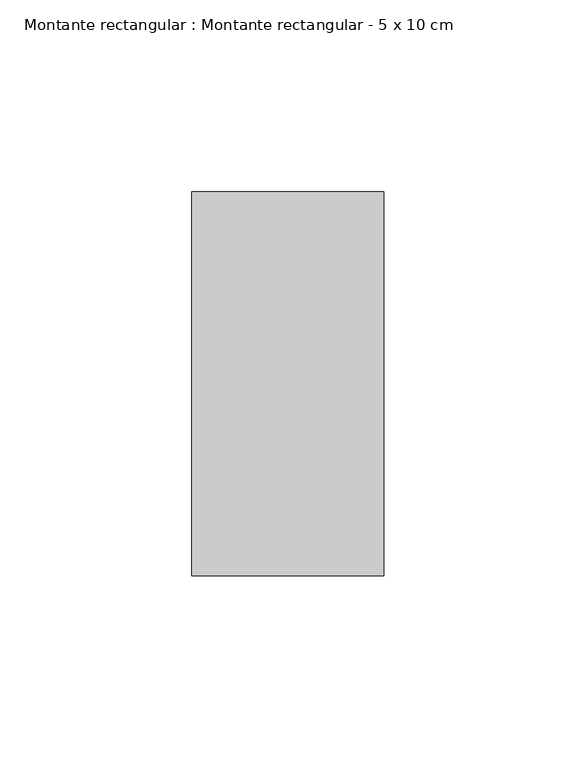
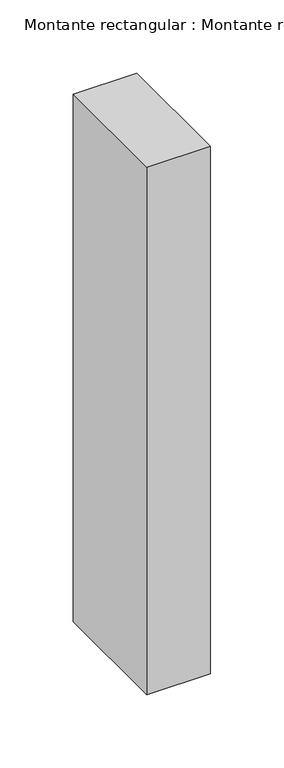
"""IFC4 building model written with IfcOpenShell, lengths in millimetres: member geometry, Montante rectangular : Montante rectangular - 5 x 10 cm."""

from ifc_helpers import new_model, si_unit, frame, origin, place, context, project, spatial, polyline, outline, extrude, source, transform, mapped, element, save


def montante_rectangular_montante_rectangular_5_x_10_cm_f3e9a56c(model_context):
    return source(origin(), model_context, "Body", "SweptSolid", [
        extrude(outline(polyline([(0.0, 50.0), (0.0, -50.0), (-50.0, -50.0), (-50.0, 50.0), (0.0, 50.0)])), frame((0.0, 0.0, -439.0), z_axis=(0.0, 0.0, 1.0), x_axis=(1.0, 0.0, 0.0)), (0.0, 0.0, 1.0), 439.0),
    ])


if __name__ == "__main__":
    model = new_model("IFC4")
    model_context = context("Model", 3, world=origin())
    ifc_project = project(units=[si_unit("LENGTHUNIT", "METRE", prefix="MILLI")], contexts=[model_context])
    site = spatial("IfcSite", under=ifc_project)
    building = spatial("IfcBuilding", under=site)
    placement = place(None, origin())
    montante_rectangular_montante_rectangular_5_x_10_cm_shape = montante_rectangular_montante_rectangular_5_x_10_cm_f3e9a56c(model_context)
    element("IfcMember", 1, ObjectType="Montante rectangular : Montante rectangular - 5 x 10 cm", at=placement, inside=building, context=model_context, shape_type="MappedRepresentation", body=[
        mapped(montante_rectangular_montante_rectangular_5_x_10_cm_shape, transform((0.0, 0.0, 0.0), x_axis=(1.0, 0.0, 0.0), y_axis=(0.0, 1.0, 0.0), z_axis=(0.0, 0.0, 1.0))),
    ])
    save(model, "model.ifc")
